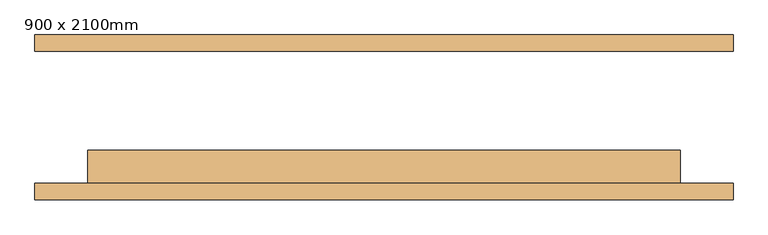
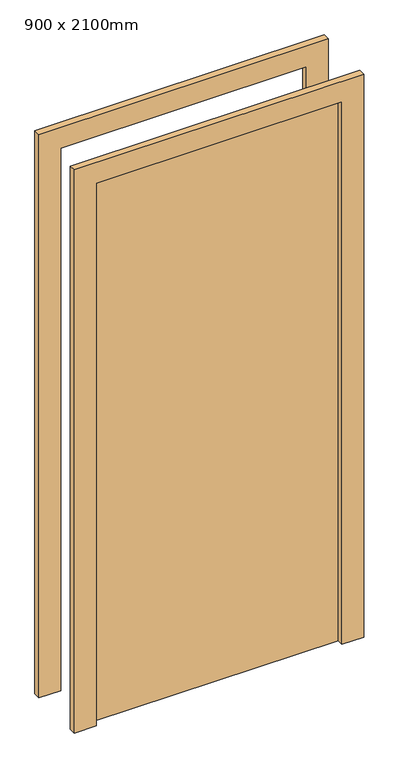
"""IFC4 building model written with IfcOpenShell, lengths in millimetres: door geometry, 900 x 2100mm."""

from ifc_helpers import new_model, si_unit, frame, origin, origin_with_axes, place, context, project, spatial, polyline, outline, extrude, source, transform, mapped, element, save


def door_900_x_2100mm_6283dab8(model_context):
    return source(origin(), model_context, "Body", "SweptSolid", [
        extrude(outline(polyline([(450.0, -50.0), (450.0, -100.0), (-450.0, -100.0), (-450.0, -50.0), (450.0, -50.0)])), origin_with_axes(), (0.0, 0.0, 1.0), 2100.0),
        extrude(outline(polyline([(2180.0, -530.0), (0.0, -530.0), (0.0, -450.0), (2100.0, -450.0), (2100.0, 450.0), (0.0, 450.0), (0.0, 530.0), (2180.0, 530.0), (2180.0, -530.0)])), frame((0.0, -125.0, 0.0), z_axis=(0.0, 1.0, 0.0), x_axis=(0.0, 0.0, 1.0)), (0.0, 0.0, 1.0), 25.0),
        extrude(outline(polyline([(2180.0, 530.0), (2180.0, -530.0), (0.0, -530.0), (0.0, -450.0), (2100.0, -450.0), (2100.0, 450.0), (0.0, 450.0), (0.0, 530.0), (2180.0, 530.0)])), frame((0.0, 100.0, 0.0), z_axis=(0.0, 1.0, 0.0), x_axis=(0.0, 0.0, 1.0)), (0.0, 0.0, 1.0), 25.0),
    ])


if __name__ == "__main__":
    model = new_model("IFC4")
    model_context = context("Model", 3, world=origin())
    ifc_project = project(units=[si_unit("LENGTHUNIT", "METRE", prefix="MILLI")], contexts=[model_context])
    site = spatial("IfcSite", under=ifc_project)
    building = spatial("IfcBuilding", under=site)
    placement = place(None, origin())
    door_900_x_2100mm_shape = door_900_x_2100mm_6283dab8(model_context)
    element("IfcDoor", 1, ObjectType="900 x 2100mm", at=placement, inside=building, context=model_context, shape_type="MappedRepresentation", body=[
        mapped(door_900_x_2100mm_shape, transform((0.0, 0.0, 0.0), x_axis=(1.0, 0.0, 0.0), y_axis=(0.0, 1.0, 0.0), z_axis=(0.0, 0.0, 1.0))),
    ])
    save(model, "model.ifc")
